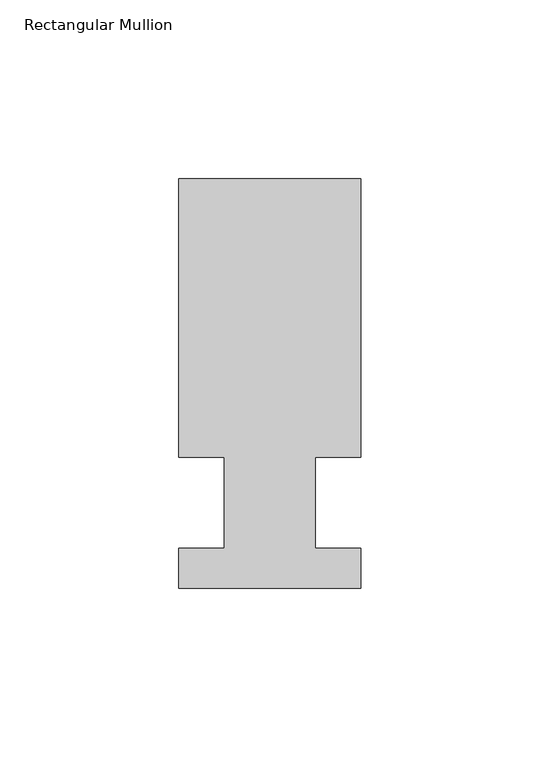
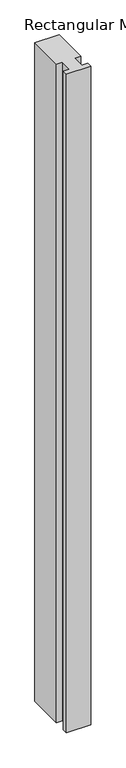
"""IFC4 building model written with IfcOpenShell, lengths in millimetres: member geometry, Rectangular Mullion."""

from ifc_helpers import new_model, si_unit, frame, origin, place, context, project, spatial, polyline, outline, extrude, source, transform, mapped, element, save


def rectangular_mullion_4edd4589(model_context):
    return source(origin(), model_context, "Body", "SweptSolid", [
        extrude(outline(polyline([(29.7344027, 90.4875), (29.7344027, 12.7), (17.0326322, 12.7), (17.0326322, -12.7), (29.7344027, -12.7), (29.7344027, -23.8125), (-21.0655973, -23.8125), (-21.0655973, -12.7), (-8.3655973, -12.7), (-8.3655973, 12.7), (-21.0655973, 12.7), (-21.0655973, 90.4875), (29.7344027, 90.4875)])), frame((0.0, 0.0, -1456.2666667), z_axis=(0.0, 0.0, 1.0), x_axis=(1.0, 0.0, 0.0)), (0.0, 0.0, 1.0), 1456.2666667),
    ])


if __name__ == "__main__":
    model = new_model("IFC4")
    model_context = context("Model", 3, world=origin())
    ifc_project = project(units=[si_unit("LENGTHUNIT", "METRE", prefix="MILLI")], contexts=[model_context])
    site = spatial("IfcSite", under=ifc_project)
    building = spatial("IfcBuilding", under=site)
    placement = place(None, origin())
    rectangular_mullion_shape = rectangular_mullion_4edd4589(model_context)
    element("IfcMember", 1, ObjectType="Rectangular Mullion", at=placement, inside=building, context=model_context, shape_type="MappedRepresentation", body=[
        mapped(rectangular_mullion_shape, transform((0.0, 0.0, 0.0), x_axis=(1.0, 0.0, 0.0), y_axis=(0.0, 1.0, 0.0), z_axis=(0.0, 0.0, 1.0))),
    ])
    save(model, "model.ifc")
